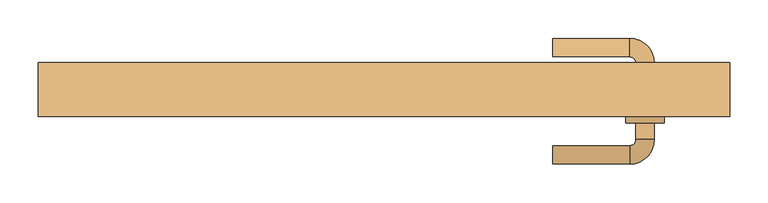
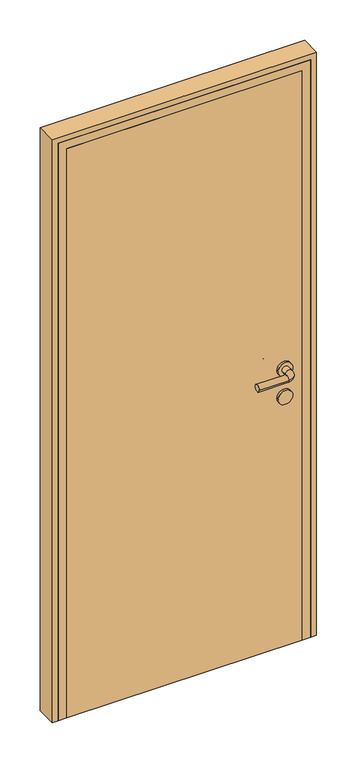
"""IFC4 building model written with IfcOpenShell, lengths in millimetres: door geometry."""

from ifc_helpers import new_model, si_unit, point, frame, frame_2d, origin, origin_with_axes, place, context, project, spatial, polyline, circle_curve, ellipse_curve, trimmed, segment, composite_curve, outline, extrude, faceted_brep, source, transform, mapped, element, save
from ifc_brep_helpers import plane_surface, cylinder_surface, revolved_surface, advanced_brep


def door_438111e6(model_context):
    return source(origin(), model_context, "Body", "SolidModel", [
        advanced_brep(
        [(220.0, -152.0, 1000.0), (220.0, -128.0, 1000.0), (320.0, -152.0, 1000.0), (320.0, -128.0, 1000.0), (352.0, -120.0, 1000.0), (328.0, -120.0, 1000.0), (352.0, -98.0, 1000.0), (328.0, -98.0, 1000.0), (352.0, -20.0, 1000.0), (328.0, -20.0, 1000.0), (328.0, -42.0, 1000.0), (352.0, -42.0, 1000.0), (320.0, 12.0, 1000.0), (320.0, -12.0, 1000.0), (220.0, 12.0, 1000.0), (220.0, -12.0, 1000.0), (365.0, -98.0, 1000.0), (315.0, -98.0, 1000.0), (365.0, -42.0, 1000.0), (315.0, -42.0, 1000.0)],
        [
            (0, 1, circle_curve(frame((220.0, -140.0, 1000.0), z_axis=(-1.0, 0.0, 0.0), x_axis=(0.0, 1.0, 0.0)), 12.0)),
            (1, 0, circle_curve(frame((220.0, -140.0, 1000.0), z_axis=(-1.0, 0.0, 0.0), x_axis=(0.0, 1.0, 0.0)), 12.0)),
            (0, 2),
            (2, 3, circle_curve(frame((320.0, -140.0, 1000.0), z_axis=(-1.0, 0.0, 0.0), x_axis=(0.0, 1.0, 0.0)), 12.0)),
            (3, 1),
            (3, 2, circle_curve(frame((320.0, -140.0, 1000.0), z_axis=(-1.0, 0.0, 0.0), x_axis=(0.0, 1.0, 0.0)), 12.0)),
            (2, 4, circle_curve(frame((320.0, -120.0, 1000.0), z_axis=(0.0, 0.0, 1.0), x_axis=(0.0, -1.0, 0.0)), 32.0)),
            (4, 5, circle_curve(frame((340.0, -120.0, 1000.0), z_axis=(0.0, -1.0, 0.0), x_axis=(-1.0, 0.0, 0.0)), 12.0)),
            (5, 3, circle_curve(frame((320.0, -120.0, 1000.0), z_axis=(0.0, 0.0, -1.0), x_axis=(0.0, -1.0, 0.0)), 8.0)),
            (5, 4, circle_curve(frame((340.0, -120.0, 1000.0), z_axis=(0.0, -1.0, 0.0), x_axis=(-1.0, 0.0, 0.0)), 12.0)),
            (4, 6),
            (6, 7, circle_curve(frame((340.0, -98.0, 1000.0), z_axis=(0.0, -1.0, 0.0), x_axis=(-1.0, 0.0, 0.0)), 12.0)),
            (7, 5),
            (8, 9, circle_curve(frame((340.0, -20.0, 1000.0), z_axis=(0.0, -1.0, 0.0), x_axis=(-1.0, 0.0, 0.0)), 12.0)),
            (9, 10),
            (10, 11, circle_curve(frame((340.0, -42.0, 1000.0), z_axis=(0.0, 1.0, 0.0), x_axis=(-1.0, 0.0, 0.0)), 12.0)),
            (11, 8),
            (7, 6, circle_curve(frame((340.0, -98.0, 1000.0), z_axis=(0.0, -1.0, 0.0), x_axis=(-1.0, 0.0, 0.0)), 12.0)),
            (9, 8, circle_curve(frame((340.0, -20.0, 1000.0), z_axis=(0.0, -1.0, 0.0), x_axis=(-1.0, 0.0, 0.0)), 12.0)),
            (11, 10, circle_curve(frame((340.0, -42.0, 1000.0), z_axis=(0.0, 1.0, 0.0), x_axis=(-1.0, 0.0, 0.0)), 12.0)),
            (8, 12, circle_curve(frame((320.0, -20.0, 1000.0), z_axis=(0.0, 0.0, 1.0), x_axis=(1.0, 0.0, 0.0)), 32.0)),
            (12, 13, circle_curve(frame((320.0, 0.0, 1000.0), z_axis=(1.0, 0.0, 0.0), x_axis=(0.0, -1.0, 0.0)), 12.0)),
            (13, 9, circle_curve(frame((320.0, -20.0, 1000.0), z_axis=(0.0, 0.0, -1.0), x_axis=(1.0, 0.0, 0.0)), 8.0)),
            (13, 12, circle_curve(frame((320.0, 0.0, 1000.0), z_axis=(1.0, 0.0, 0.0), x_axis=(0.0, -1.0, 0.0)), 12.0)),
            (14, 15, circle_curve(frame((220.0, 0.0, 1000.0), z_axis=(-1.0, 0.0, 0.0), x_axis=(0.0, -1.0, 0.0)), 12.0)),
            (15, 14, circle_curve(frame((220.0, 0.0, 1000.0), z_axis=(-1.0, 0.0, 0.0), x_axis=(0.0, -1.0, 0.0)), 12.0)),
            (12, 14),
            (15, 13),
            (16, 17, circle_curve(frame((340.0, -98.0, 1000.0), z_axis=(0.0, -1.0, 0.0), x_axis=(-1.0, 0.0, 0.0)), 25.0)),
            (17, 16, circle_curve(frame((340.0, -98.0, 1000.0), z_axis=(0.0, -1.0, 0.0), x_axis=(-1.0, 0.0, 0.0)), 25.0)),
            (18, 19, circle_curve(frame((340.0, -42.0, 1000.0), z_axis=(0.0, 1.0, 0.0), x_axis=(-1.0, 0.0, 0.0)), 25.0)),
            (19, 18, circle_curve(frame((340.0, -42.0, 1000.0), z_axis=(0.0, 1.0, 0.0), x_axis=(-1.0, 0.0, 0.0)), 25.0)),
            (17, 19),
            (18, 16),
        ],
        [
            plane_surface(frame((220.0, -140.0, 1000.0), z_axis=(-1.0, 0.0, 0.0), x_axis=(0.0, 0.0, 1.0))),
            cylinder_surface(frame((220.0, -140.0, 1000.0), z_axis=(-1.0, 0.0, 0.0), x_axis=(0.0, 1.0, 0.0)), 12.0),
            revolved_surface(trimmed(ellipse_curve(frame((320.0, -140.0, 1000.0), z_axis=(-1.0, 0.0, 0.0), x_axis=(0.0, 1.0, 0.0)), 12.0, 12.0), [point((320.0, -152.0, 1000.0))], [point((320.0, -128.0, 1000.0))], True, "CARTESIAN"), (320.0, -120.0, 1000.0), (0.0, 0.0, 1.0)),
            revolved_surface(trimmed(ellipse_curve(frame((320.0, -140.0, 1000.0), z_axis=(-1.0, 0.0, 0.0), x_axis=(0.0, 1.0, 0.0)), 12.0, 12.0), [point((320.0, -128.0, 1000.0))], [point((320.0, -152.0, 1000.0))], True, "CARTESIAN"), (320.0, -120.0, 1000.0), (0.0, 0.0, 1.0)),
            cylinder_surface(frame((340.0, -120.0, 1000.0), z_axis=(0.0, -1.0, 0.0), x_axis=(-1.0, 0.0, 0.0)), 12.0),
            revolved_surface(trimmed(ellipse_curve(frame((340.0, -20.0, 1000.0), z_axis=(0.0, -1.0, 0.0), x_axis=(-1.0, 0.0, 0.0)), 12.0, 12.0), [point((352.0, -20.0, 1000.0))], [point((328.0, -20.0, 1000.0))], True, "CARTESIAN"), (320.0, -20.0, 1000.0), (0.0, 0.0, 1.0)),
            revolved_surface(trimmed(ellipse_curve(frame((340.0, -20.0, 1000.0), z_axis=(0.0, -1.0, 0.0), x_axis=(-1.0, 0.0, 0.0)), 12.0, 12.0), [point((328.0, -20.0, 1000.0))], [point((352.0, -20.0, 1000.0))], True, "CARTESIAN"), (320.0, -20.0, 1000.0), (0.0, 0.0, 1.0)),
            plane_surface(frame((220.0, 0.0, 1000.0), z_axis=(-1.0, 0.0, 0.0), x_axis=(0.0, 0.0, 1.0))),
            cylinder_surface(frame((320.0, 0.0, 1000.0), z_axis=(1.0, 0.0, 0.0), x_axis=(0.0, -1.0, 0.0)), 12.0),
            plane_surface(frame((315.0, -98.0, 1000.0), z_axis=(0.0, -1.0, 0.0), x_axis=(0.0, 0.0, -1.0))),
            plane_surface(frame((315.0, -42.0, 1000.0), z_axis=(0.0, 1.0, 0.0), x_axis=(0.0, 0.0, 1.0))),
            cylinder_surface(frame((340.0, -98.0, 1000.0), z_axis=(0.0, 1.0, 0.0), x_axis=(-1.0, 0.0, 0.0)), 25.0),
        ],
        [
            (0, [[1, 2]]),
            (1, [[-1, 3, 4, 5]]),
            (1, [[-2, -5, 6, -3]]),
            (2, [[-4, 7, 8, 9]]),
            (3, [[-6, -9, 10, -7]]),
            (4, [[-8, 11, 12, 13]]),
            (4, [[14, 15, 16, 17]]),
            (4, [[-10, -13, 18, -11]]),
            (4, [[19, -17, 20, -15]]),
            (5, [[-14, 21, 22, 23]]),
            (6, [[-19, -23, 24, -21]]),
            (7, [[25, 26]]),
            (8, [[-22, 27, -26, 28]]),
            (8, [[-24, -28, -25, -27]]),
            (9, [[29, 30], [-12, -18]]),
            (10, [[31, 32], [-16, -20]]),
            (11, [[-30, 33, -31, 34]]),
            (11, [[-29, -34, -32, -33]]),
        ],
    ),
        extrude(outline(composite_curve([segment(trimmed(circle_curve(frame_2d((900.0, 340.0)), 25.0), [point((900.0, 365.0))], [point((900.0, 315.0))], False, "CARTESIAN"), True, "CONTINUOUS"), segment(trimmed(circle_curve(frame_2d((900.0, 340.0)), 25.0), [point((900.0, 315.0))], [point((900.0, 365.0))], False, "CARTESIAN"), True, "CONTINUOUS")], self_intersect=False)), frame((0.0, -98.0, 0.0), z_axis=(0.0, 1.0, 0.0), x_axis=(0.0, 0.0, 1.0)), (0.0, 0.0, 1.0), 56.0),
        extrude(outline(polyline([(400.0, -50.0), (400.0, -90.0), (-400.0, -90.0), (-400.0, -50.0), (400.0, -50.0)])), origin_with_axes(), (0.0, 0.0, 1.0), 2050.0),
        extrude(outline(polyline([(0.0, 450.0), (2100.0, 450.0), (2100.0, -450.0), (0.0, -450.0), (0.0, -430.0), (2080.0, -430.0), (2080.0, 430.0), (0.0, 430.0), (0.0, 450.0)])), frame((0.0, -90.0, 0.0), z_axis=(0.0, 1.0, 0.0), x_axis=(0.0, 0.0, 1.0)), (0.0, 0.0, 1.0), 70.0),
        faceted_brep([(-430.0, -20.0, 0.0), (-390.0, -20.0, 0.0), (-390.0, -50.0, 0.0), (-400.0, -50.0, 0.0), (-400.0, -90.0, 0.0), (-430.0, -90.0, 0.0), (-430.0, -90.0, 2080.0), (-430.0, -20.0, 2080.0), (-400.0, -90.0, 2050.0), (400.0, -90.0, 2050.0), (400.0, -90.0, 0.0), (430.0, -90.0, 0.0), (430.0, -90.0, 2080.0), (-400.0, -50.0, 2050.0), (-390.0, -50.0, 2040.0), (390.0, -50.0, 2040.0), (390.0, -50.0, 0.0), (400.0, -50.0, 0.0), (400.0, -50.0, 2050.0), (-390.0, -20.0, 2040.0), (430.0, -20.0, 2080.0), (430.0, -20.0, 0.0), (390.0, -20.0, 0.0), (390.0, -20.0, 2040.0)], [[[0, 1, 2, 3, 4, 5]], [[5, 6, 7, 0]], [[4, 8, 9, 10, 11, 12, 6, 5]], [[3, 13, 8, 4]], [[2, 14, 15, 16, 17, 18, 13, 3]], [[1, 19, 14, 2]], [[0, 7, 20, 21, 22, 23, 19, 1]], [[6, 12, 20, 7]], [[13, 18, 9, 8]], [[19, 23, 15, 14]], [[21, 11, 10, 17, 16, 22]], [[12, 11, 21, 20]], [[18, 17, 10, 9]], [[23, 22, 16, 15]]]),
    ])


if __name__ == "__main__":
    model = new_model("IFC4")
    model_context = context("Model", 3, world=origin())
    ifc_project = project(units=[si_unit("LENGTHUNIT", "METRE", prefix="MILLI")], contexts=[model_context])
    site = spatial("IfcSite", under=ifc_project)
    building = spatial("IfcBuilding", under=site)
    placement = place(None, origin())
    door_shape = door_438111e6(model_context)
    element("IfcDoor", 1, at=placement, inside=building, context=model_context, shape_type="MappedRepresentation", body=[
        mapped(door_shape, transform((0.0, 0.0, 0.0), x_axis=(1.0, 0.0, 0.0), y_axis=(0.0, 1.0, 0.0), z_axis=(0.0, 0.0, 1.0))),
    ])
    save(model, "model.ifc")
